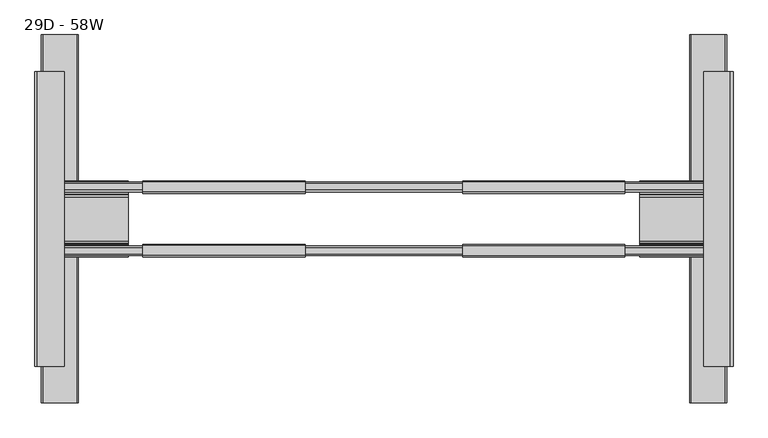
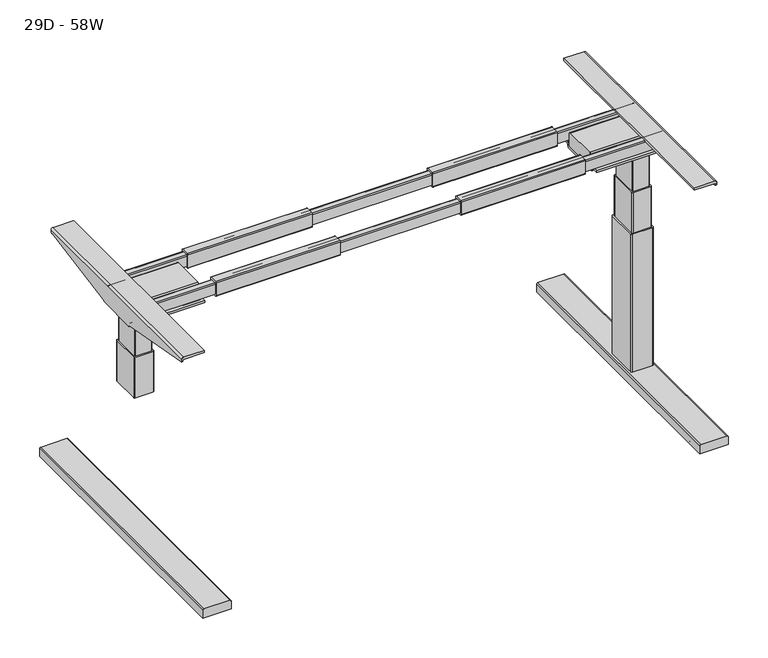
"""IFC4 building model written with IfcOpenShell, lengths in millimetres: furniture geometry, 29D - 58W."""

from ifc_helpers import new_model, si_unit, point, frame, frame_2d, origin, place, context, project, spatial, polyline, circle_curve, ellipse_curve, trimmed, segment, composite_curve, outline, extrude, source, transform, mapped, element, save
from ifc_brep_helpers import plane_surface, cylinder_surface, revolved_surface, advanced_brep


def furniture_29d_58w_eb73083c(model_context):
    return source(origin(), model_context, "Body", "SolidModel", [
        advanced_brep(
        [(535.2852115, -150.3334851, 643.2459466), (538.0820226, -150.3334851, 643.2459466), (538.0820226, -385.7888843, 685.4317958), (535.2852115, -385.7888843, 685.4317958), (535.2852115, -146.691027, 639.6034885), (538.0820226, -146.691027, 639.6034885), (538.0820226, -389.9070922, 689.5500037), (535.2852115, -389.9070922, 689.5500037), (535.2852115, 210.2484, 689.5500037), (538.0820226, 210.2484, 689.5500037), (538.0820226, 206.1301921, 685.4317958), (535.2852115, 206.1301921, 685.4317958), (535.2852115, -29.325207, 643.2459466), (538.0820226, -29.325207, 643.2459466), (538.0820226, -32.9676652, 639.6034885), (535.2852115, -32.9676652, 639.6034885), (535.2852115, 210.5027662, 689.5500037), (538.0820226, 210.5027662, 689.5500037), (538.0820226, -389.9070922, 693.5115755), (532.6935981, -389.9070922, 698.9), (478.2709178, -389.9070922, 698.9), (478.2709178, -389.9070922, 692.8136941), (532.6935981, -389.9070922, 692.8136941), (535.2852115, -389.9070922, 690.2220806), (535.2852115, 210.5027662, 690.2220806), (532.6935981, 210.5027662, 692.8136941), (478.2709178, 210.5027662, 692.8136941), (478.2709178, 210.5027662, 698.9), (532.6935981, 210.5027662, 698.9), (538.0820226, 210.5027662, 693.5115755)],
        [
            (0, 1),
            (1, 2),
            (2, 3),
            (3, 0),
            (0, 4),
            (4, 5),
            (5, 1),
            (2, 6, circle_curve(frame((538.0820226, -385.7888843, 689.5500037), z_axis=(-1.0, 0.0, 0.0), x_axis=(0.0, -1.0, 0.0)), 4.1182079)),
            (6, 7),
            (7, 3, circle_curve(frame((535.2852115, -385.7888843, 689.5500037), z_axis=(1.0, 0.0, 0.0), x_axis=(0.0, -1.0, 0.0)), 4.1182079)),
            (8, 9),
            (9, 10, circle_curve(frame((538.0820226, 206.1301921, 689.5500037), z_axis=(-1.0, 0.0, 0.0), x_axis=(0.0, -1.0, 0.0)), 4.1182079)),
            (10, 11),
            (11, 8, circle_curve(frame((535.2852115, 206.1301921, 689.5500037), z_axis=(1.0, 0.0, 0.0), x_axis=(0.0, -1.0, 0.0)), 4.1182079)),
            (12, 13),
            (13, 14),
            (14, 15),
            (15, 12),
            (12, 11),
            (10, 13),
            (8, 16),
            (16, 17),
            (17, 9),
            (18, 19, circle_curve(frame((532.6935981, -389.9070922, 693.5115755), z_axis=(0.0, -1.0, 0.0), x_axis=(-1.0, 0.0, 0.0)), 5.3884245)),
            (19, 20),
            (20, 21),
            (21, 22),
            (22, 23, circle_curve(frame((532.6935981, -389.9070922, 690.2220806), z_axis=(0.0, 1.0, 0.0), x_axis=(-1.0, 0.0, 0.0)), 2.5916134)),
            (23, 7),
            (6, 18),
            (24, 25, circle_curve(frame((532.6935981, 210.5027662, 690.2220806), z_axis=(0.0, -1.0, 0.0), x_axis=(-1.0, 0.0, 0.0)), 2.5916134)),
            (25, 26),
            (26, 27),
            (27, 28),
            (28, 29, circle_curve(frame((532.6935981, 210.5027662, 693.5115755), z_axis=(0.0, 1.0, 0.0), x_axis=(-1.0, 0.0, 0.0)), 5.3884245)),
            (29, 17),
            (16, 24),
            (4, 15),
            (14, 5),
            (29, 18),
            (28, 19),
            (27, 20),
            (26, 21),
            (25, 22),
            (24, 23),
        ],
        [
            plane_surface(frame((907.5476074, -150.3334851, 643.2459466), z_axis=(0.0, -0.17635877687438872, -0.9843259530355631), x_axis=(-1.0, 0.0, 0.0))),
            plane_surface(frame((907.5476074, -144.9875385, 637.9), z_axis=(0.0, -0.7071067811840085, -0.7071067811890865), x_axis=(-1.0, 0.0, 0.0))),
            cylinder_surface(frame((524.8481849, -385.7888843, 689.5500037), z_axis=(-1.0, 0.0, 0.0), x_axis=(0.0, -1.0, 0.0)), 4.1182079),
            cylinder_surface(frame((381.0453952, 206.1301921, 689.5500037), z_axis=(-1.0, 0.0, 0.0), x_axis=(0.0, -1.0, 0.0)), 4.1182079),
            plane_surface(frame((907.5476074, -29.325207, 643.2459466), z_axis=(0.0, 0.7071067811846106, -0.7071067811884845), x_axis=(-1.0, 0.0, 0.0))),
            plane_surface(frame((907.5476074, 206.1301921, 685.4317958), z_axis=(0.0, 0.1763587768743689, -0.9843259530355667), x_axis=(-1.0, 0.0, 0.0))),
            plane_surface(frame((907.5476074, 226.0429078, 689.5500037), z_axis=(0.0, 0.0, -1.0), x_axis=(-1.0, 0.0, 0.0))),
            plane_surface(frame((535.2852115, -389.9070922, 639.6034885), z_axis=(0.0, -1.0, 0.0), x_axis=(1.0, 0.0, 0.0))),
            plane_surface(frame((535.2852115, 210.5027662, 639.6034885), z_axis=(0.0, 1.0, 0.0), x_axis=(-1.0, 0.0, 0.0))),
            plane_surface(frame((535.2852115, -389.9070922, 639.6034885), z_axis=(0.0, 0.0, -1.0), x_axis=(0.0, 1.0, 0.0))),
            plane_surface(frame((538.0820226, -389.9070922, 639.6034885), z_axis=(1.0, 0.0, 0.0), x_axis=(0.0, 1.0, 0.0))),
            cylinder_surface(frame((532.6935981, 210.5027662, 693.5115755), z_axis=(0.0, -1.0, 0.0), x_axis=(-1.0, 0.0, 0.0)), 5.3884245),
            plane_surface(frame((532.6935981, -389.9070922, 698.9), z_axis=(0.0, 0.0, 1.0), x_axis=(0.0, 1.0, 0.0))),
            plane_surface(frame((478.2709178, -389.9070922, 698.9), z_axis=(-1.0, 0.0, 0.0), x_axis=(0.0, 1.0, 0.0))),
            plane_surface(frame((478.2709178, -389.9070922, 692.8136941), z_axis=(0.0, 0.0, -1.0), x_axis=(0.0, 1.0, 0.0))),
            revolved_surface(polyline([(530.1019847, 210.5027662, 690.2220806), (530.1019847, -389.9070922000001, 690.2220806)]), (532.6935981, 210.5027662, 690.2220806), (0.0, 1.0, 0.0)),
            plane_surface(frame((535.2852115, -389.9070922, 690.2220806), z_axis=(-1.0, 0.0, 0.0), x_axis=(0.0, 1.0, 0.0))),
        ],
        [
            (0, [[1, 2, 3, 4]]),
            (1, [[-1, 5, 6, 7]]),
            (2, [[-3, 8, 9, 10]]),
            (3, [[11, 12, 13, 14]]),
            (4, [[15, 16, 17, 18]]),
            (5, [[-15, 19, -13, 20]]),
            (6, [[-11, 21, 22, 23]]),
            (7, [[24, 25, 26, 27, 28, 29, -9, 30]]),
            (8, [[31, 32, 33, 34, 35, 36, -22, 37]]),
            (9, [[38, -17, 39, -6]]),
            (10, [[40, -30, -8, -2, -7, -39, -16, -20, -12, -23, -36]]),
            (11, [[-24, -40, -35, 41]]),
            (12, [[-25, -41, -34, 42]]),
            (13, [[-26, -42, -33, 43]]),
            (14, [[-27, -43, -32, 44]]),
            (15, [[-28, -44, -31, 45]]),
            (16, [[-45, -37, -21, -14, -19, -18, -38, -5, -4, -10, -29]]),
        ],
    ),
        extrude(outline(composite_curve([segment(trimmed(circle_curve(frame_2d((-14.7471088, 660.9247064)), 2.54), [point((-12.2071088, 660.9247064))], [point((-14.7471088, 658.3847064))], False, "CARTESIAN"), True, "CONTINUOUS"), segment(polyline([(-14.7471088, 658.3847064), (-35.1360084, 658.3847064)]), True, "CONTINUOUS"), segment(trimmed(circle_curve(frame_2d((-35.1360084, 660.8558068)), 2.4711004), [point((-35.1360084, 658.3847064))], [point((-37.6071088, 660.8558068))], False, "CARTESIAN"), True, "CONTINUOUS"), segment(polyline([(-37.6071088, 660.8558068), (-37.6071088, 696.397389)]), True, "CONTINUOUS"), segment(trimmed(circle_curve(frame_2d((-35.1044978, 696.397389)), 2.502611), [point((-37.6071088, 696.397389))], [point((-35.1044978, 698.9))], False, "CARTESIAN"), True, "CONTINUOUS"), segment(polyline([(-35.1044978, 698.9), (-14.5661523, 698.9)]), True, "CONTINUOUS"), segment(trimmed(circle_curve(frame_2d((-14.5661523, 696.5409564)), 2.3590436), [point((-14.5661523, 698.9))], [point((-12.2071088, 696.5409564))], False, "CARTESIAN"), True, "CONTINUOUS"), segment(polyline([(-12.2071088, 696.5409564), (-12.2071088, 660.9247064)]), True, "CONTINUOUS")], self_intersect=False)), frame((-12.2002029, 0.0, 0.0), z_axis=(1.0, 0.0, 0.0), x_axis=(0.0, 1.0, 0.0)), (0.0, 0.0, 1.0), 330.2),
        extrude(outline(composite_curve([segment(polyline([(-167.0928912, 660.9247064), (-167.0928912, 696.5409564)]), True, "CONTINUOUS"), segment(trimmed(circle_curve(frame_2d((-164.7338476, 696.5409564)), 2.3590436), [point((-167.0928912, 696.5409564))], [point((-164.7338476, 698.9))], False, "CARTESIAN"), True, "CONTINUOUS"), segment(polyline([(-164.7338476, 698.9), (-144.1955021, 698.9)]), True, "CONTINUOUS"), segment(trimmed(circle_curve(frame_2d((-144.1955021, 696.397389)), 2.502611), [point((-144.1955021, 698.9))], [point((-141.6928912, 696.397389))], False, "CARTESIAN"), True, "CONTINUOUS"), segment(polyline([(-141.6928912, 696.397389), (-141.6928912, 660.8558068)]), True, "CONTINUOUS"), segment(trimmed(circle_curve(frame_2d((-144.1639916, 660.8558068)), 2.4711004), [point((-141.6928912, 660.8558068))], [point((-144.1639916, 658.3847064))], False, "CARTESIAN"), True, "CONTINUOUS"), segment(polyline([(-144.1639916, 658.3847064), (-164.5528912, 658.3847064)]), True, "CONTINUOUS"), segment(trimmed(circle_curve(frame_2d((-164.5528912, 660.9247064)), 2.54), [point((-164.5528912, 658.3847064))], [point((-167.0928912, 660.9247064))], False, "CARTESIAN"), True, "CONTINUOUS")], self_intersect=False)), frame((-12.2002029, 0.0, 0.0), z_axis=(1.0, 0.0, 0.0), x_axis=(0.0, 1.0, 0.0)), (0.0, 0.0, 1.0), 330.2),
        extrude(outline(composite_curve([segment(polyline([(-33.2519551, 653.2696117), (-34.3060318, 647.522656)]), True, "CONTINUOUS"), segment(trimmed(circle_curve(frame_2d((-39.4101754, 648.4588315)), 5.1892877), [point((-34.3060318, 647.522656))], [point((-39.4101754, 643.2695438))], False, "CARTESIAN"), True, "CONTINUOUS"), segment(polyline([(-39.4101754, 643.2695438), (-140.2485168, 643.2695438)]), True, "CONTINUOUS"), segment(trimmed(circle_curve(frame_2d((-140.2485168, 648.4588315)), 5.1892877), [point((-140.2485168, 643.2695438))], [point((-145.3526604, 647.522656))], False, "CARTESIAN"), True, "CONTINUOUS"), segment(polyline([(-145.3526604, 647.522656), (-146.4067371, 653.2696117), (-167.4065503, 653.2696117), (-167.4065503, 658.3847064), (-146.9084633, 658.3847064)]), True, "CONTINUOUS"), segment(trimmed(circle_curve(frame_2d((-146.9084633, 652.8079909)), 5.5767155), [point((-146.9084633, 658.3847064))], [point((-141.4231172, 653.8133434))], False, "CARTESIAN"), True, "CONTINUOUS"), segment(polyline([(-141.4231172, 653.8133434), (-140.4070664, 648.2696262), (-39.8084764, 648.2696262), (-38.7924256, 653.8133434)]), True, "CONTINUOUS"), segment(trimmed(circle_curve(frame_2d((-33.3070795, 652.8079909)), 5.5767155), [point((-38.7924256, 653.8133434))], [point((-33.3070795, 658.3847064))], False, "CARTESIAN"), True, "CONTINUOUS"), segment(polyline([(-33.3070795, 658.3847064), (-12.4076779, 658.3847064), (-12.4076779, 653.2696117), (-33.2519551, 653.2696117)]), True, "CONTINUOUS")], self_intersect=False)), frame((348.0631648, 0.0, 0.0), z_axis=(1.0, 0.0, 0.0), x_axis=(0.0, 1.0, 0.0)), (0.0, 0.0, 1.0), 184.6304333),
        extrude(outline(composite_curve([segment(polyline([(7.9650038, 449.7737802), (7.9650038, 524.8481849), (30.0204767, 524.8481849)]), True, "CONTINUOUS"), segment(trimmed(circle_curve(frame_2d((30.0204767, 521.8675777)), 2.9806072), [point((30.0204767, 524.8481849))], [point((33.0010839, 521.8675777))], False, "CARTESIAN"), True, "CONTINUOUS"), segment(polyline([(33.0010839, 521.8675777), (33.0010839, 452.9442027)]), True, "CONTINUOUS"), segment(trimmed(circle_curve(frame_2d((29.8306613, 452.9442027)), 3.1704226), [point((33.0010839, 452.9442027))], [point((29.8306613, 449.7737802))], False, "CARTESIAN"), True, "CONTINUOUS"), segment(polyline([(29.8306613, 449.7737802), (7.9650038, 449.7737802)]), True, "CONTINUOUS")], self_intersect=False)), frame((0.0, -464.3, 0.0), z_axis=(0.0, 1.0, 0.0), x_axis=(0.0, 0.0, 1.0)), (0.0, 0.0, 1.0), 749.3),
        extrude(outline(composite_curve([segment(polyline([(-41.2469317, 686.5927128), (-39.9079858, 648.2696262), (-139.9065816, 648.2696262), (-138.5676823, 686.5927082)]), True, "CONTINUOUS"), segment(trimmed(circle_curve(frame_2d((-134.7600055, 686.4596788)), 3.81), [point((-138.5676823, 686.5927082))], [point((-134.7600055, 690.2696788))], False, "CARTESIAN"), True, "CONTINUOUS"), segment(polyline([(-134.7600055, 690.2696788), (-45.0546084, 690.2696788)]), True, "CONTINUOUS"), segment(trimmed(circle_curve(frame_2d((-45.0546084, 686.4596788)), 3.81), [point((-45.0546084, 690.2696788))], [point((-41.2469317, 686.5927128))], False, "CARTESIAN"), True, "CONTINUOUS")], self_intersect=False)), frame((348.0631648, 0.0, 0.0), z_axis=(1.0, 0.0, 0.0), x_axis=(0.0, 1.0, 0.0)), (0.0, 0.0, 1.0), 184.6304333),
        advanced_brep(
        [(538.0820226, -389.9070922, 693.5115755), (532.6935981, -389.9070922, 698.9), (478.2709178, -389.9070922, 698.9), (478.2709178, -389.9070922, 692.8136941), (532.6935981, -389.9070922, 692.8136941), (535.2852115, -389.9070922, 690.2220806), (535.2852115, -389.9070922, 689.5500037), (538.0820226, -389.9070922, 689.5500037), (535.2852115, 210.5027662, 690.2220806), (532.6935981, 210.5027662, 692.8136941), (478.2709178, 210.5027662, 692.8136941), (478.2709178, 210.5027662, 698.9), (532.6935981, 210.5027662, 698.9), (538.0820226, 210.5027662, 693.5115755), (538.0820226, 210.5027662, 689.5500037), (535.2852115, 210.5027662, 689.5500037), (535.2852115, -150.3334851, 643.2459466), (538.0820226, -150.3334851, 643.2459466), (538.0820226, -385.7888843, 685.4317958), (535.2852115, -385.7888843, 685.4317958), (535.2852115, -146.691027, 639.6034885), (538.0820226, -146.691027, 639.6034885), (535.2852115, 210.2484, 689.5500037), (538.0820226, 210.2484, 689.5500037), (538.0820226, 206.1301921, 685.4317958), (535.2852115, 206.1301921, 685.4317958), (535.2852115, -29.325207, 643.2459466), (538.0820226, -29.325207, 643.2459466), (538.0820226, -32.9676652, 639.6034885), (535.2852115, -32.9676652, 639.6034885)],
        [
            (0, 1, circle_curve(frame((532.6935981, -389.9070922, 693.5115755), z_axis=(0.0, -1.0, 0.0), x_axis=(-1.0, 0.0, 0.0)), 5.3884245)),
            (1, 2),
            (2, 3),
            (3, 4),
            (4, 5, circle_curve(frame((532.6935981, -389.9070922, 690.2220806), z_axis=(0.0, 1.0, 0.0), x_axis=(-1.0, 0.0, 0.0)), 2.5916134)),
            (5, 6),
            (6, 7),
            (7, 0),
            (8, 9, circle_curve(frame((532.6935981, 210.5027662, 690.2220806), z_axis=(0.0, -1.0, 0.0), x_axis=(-1.0, 0.0, 0.0)), 2.5916134)),
            (9, 10),
            (10, 11),
            (11, 12),
            (12, 13, circle_curve(frame((532.6935981, 210.5027662, 693.5115755), z_axis=(0.0, 1.0, 0.0), x_axis=(-1.0, 0.0, 0.0)), 5.3884245)),
            (13, 14),
            (14, 15),
            (15, 8),
            (16, 17),
            (17, 18),
            (18, 19),
            (19, 16),
            (16, 20),
            (20, 21),
            (21, 17),
            (18, 7, circle_curve(frame((538.0820226, -385.7888843, 689.5500037), z_axis=(-1.0, 0.0, 0.0), x_axis=(0.0, -1.0, 0.0)), 4.1182079)),
            (6, 19, circle_curve(frame((535.2852115, -385.7888843, 689.5500037), z_axis=(1.0, 0.0, 0.0), x_axis=(0.0, -1.0, 0.0)), 4.1182079)),
            (22, 23),
            (23, 24, circle_curve(frame((538.0820226, 206.1301921, 689.5500037), z_axis=(-1.0, 0.0, 0.0), x_axis=(0.0, -1.0, 0.0)), 4.1182079)),
            (24, 25),
            (25, 22, circle_curve(frame((535.2852115, 206.1301921, 689.5500037), z_axis=(1.0, 0.0, 0.0), x_axis=(0.0, -1.0, 0.0)), 4.1182079)),
            (26, 27),
            (27, 28),
            (28, 29),
            (29, 26),
            (26, 25),
            (24, 27),
            (22, 15),
            (14, 23),
            (20, 29),
            (28, 21),
            (13, 0),
            (12, 1),
            (11, 2),
            (10, 3),
            (9, 4),
            (8, 5),
        ],
        [
            plane_surface(frame((535.2852115, -389.9070922, 639.6034885), z_axis=(0.0, -1.0, 0.0), x_axis=(1.0, 0.0, 0.0))),
            plane_surface(frame((535.2852115, 210.5027662, 639.6034885), z_axis=(0.0, 1.0, 0.0), x_axis=(-1.0, 0.0, 0.0))),
            plane_surface(frame((907.5476074, -150.3334851, 643.2459466), z_axis=(0.0, -0.17635877687438872, -0.9843259530355631), x_axis=(-1.0, 0.0, 0.0))),
            plane_surface(frame((907.5476074, -144.9875385, 637.9), z_axis=(0.0, -0.7071067811840085, -0.7071067811890865), x_axis=(-1.0, 0.0, 0.0))),
            cylinder_surface(frame((524.8481849, -385.7888843, 689.5500037), z_axis=(-1.0, 0.0, 0.0), x_axis=(0.0, -1.0, 0.0)), 4.1182079),
            cylinder_surface(frame((381.0453952, 206.1301921, 689.5500037), z_axis=(-1.0, 0.0, 0.0), x_axis=(0.0, -1.0, 0.0)), 4.1182079),
            plane_surface(frame((907.5476074, -29.325207, 643.2459466), z_axis=(0.0, 0.7071067811846106, -0.7071067811884845), x_axis=(-1.0, 0.0, 0.0))),
            plane_surface(frame((907.5476074, 206.1301921, 685.4317958), z_axis=(0.0, 0.1763587768743689, -0.9843259530355667), x_axis=(-1.0, 0.0, 0.0))),
            plane_surface(frame((907.5476074, 226.0429078, 689.5500037), z_axis=(0.0, 0.0, -1.0), x_axis=(-1.0, 0.0, 0.0))),
            plane_surface(frame((535.2852115, -389.9070922, 639.6034885), z_axis=(0.0, 0.0, -1.0), x_axis=(0.0, 1.0, 0.0))),
            plane_surface(frame((538.0820226, -389.9070922, 639.6034885), z_axis=(1.0, 0.0, 0.0), x_axis=(0.0, 1.0, 0.0))),
            cylinder_surface(frame((532.6935981, 210.5027662, 693.5115755), z_axis=(0.0, -1.0, 0.0), x_axis=(-1.0, 0.0, 0.0)), 5.3884245),
            plane_surface(frame((532.6935981, -389.9070922, 698.9), z_axis=(0.0, 0.0, 1.0), x_axis=(0.0, 1.0, 0.0))),
            plane_surface(frame((478.2709178, -389.9070922, 698.9), z_axis=(-1.0, 0.0, 0.0), x_axis=(0.0, 1.0, 0.0))),
            plane_surface(frame((478.2709178, -389.9070922, 692.8136941), z_axis=(0.0, 0.0, -1.0), x_axis=(0.0, 1.0, 0.0))),
            revolved_surface(polyline([(530.1019847, 210.5027662, 690.2220806), (530.1019847, -389.9070922000001, 690.2220806)]), (532.6935981, 210.5027662, 690.2220806), (0.0, 1.0, 0.0)),
            plane_surface(frame((535.2852115, -389.9070922, 690.2220806), z_axis=(-1.0, 0.0, 0.0), x_axis=(0.0, 1.0, 0.0))),
        ],
        [
            (0, [[1, 2, 3, 4, 5, 6, 7, 8]]),
            (1, [[9, 10, 11, 12, 13, 14, 15, 16]]),
            (2, [[17, 18, 19, 20]]),
            (3, [[-17, 21, 22, 23]]),
            (4, [[-19, 24, -7, 25]]),
            (5, [[26, 27, 28, 29]]),
            (6, [[30, 31, 32, 33]]),
            (7, [[-30, 34, -28, 35]]),
            (8, [[-26, 36, -15, 37]]),
            (9, [[38, -32, 39, -22]]),
            (10, [[40, -8, -24, -18, -23, -39, -31, -35, -27, -37, -14]]),
            (11, [[-1, -40, -13, 41]]),
            (12, [[-2, -41, -12, 42]]),
            (13, [[-3, -42, -11, 43]]),
            (14, [[-4, -43, -10, 44]]),
            (15, [[-5, -44, -9, 45]]),
            (16, [[-45, -16, -36, -29, -34, -33, -38, -21, -20, -25, -6]]),
        ],
    ),
        extrude(outline(composite_curve([segment(polyline([(7.9650038, -794.214186), (29.8306613, -794.214186)]), True, "CONTINUOUS"), segment(trimmed(circle_curve(frame_2d((29.8306613, -797.3846086)), 3.1704226), [point((29.8306613, -794.214186))], [point((33.0010839, -797.3846086))], False, "CARTESIAN"), True, "CONTINUOUS"), segment(polyline([(33.0010839, -797.3846086), (33.0010839, -866.3079836)]), True, "CONTINUOUS"), segment(trimmed(circle_curve(frame_2d((30.0204767, -866.3079836)), 2.9806072), [point((33.0010839, -866.3079836))], [point((30.0204767, -869.2885908))], False, "CARTESIAN"), True, "CONTINUOUS"), segment(polyline([(30.0204767, -869.2885908), (7.9650038, -869.2885908), (7.9650038, -794.214186)]), True, "CONTINUOUS")], self_intersect=False)), frame((0.0, -464.3, 0.0), z_axis=(0.0, 1.0, 0.0), x_axis=(0.0, 0.0, 1.0)), (0.0, 0.0, 1.0), 749.3),
        advanced_brep(
        [(-879.8331206, -389.9070922, 690.0697948), (-877.0892213, -389.9070922, 692.8136941), (-822.4519689, -389.9070922, 692.8136941), (-822.4519689, -389.9070922, 698.9), (-876.8745206, -389.9070922, 698.9), (-882.1321032, -389.9070922, 693.6424174), (-882.1321032, -389.9070922, 689.5500037), (-879.8331206, -389.9070922, 689.5500037), (-882.1321032, 210.5027662, 693.6424174), (-876.8745206, 210.5027662, 698.9), (-822.4519689, 210.5027662, 698.9), (-822.4519689, 210.5027662, 692.8136941), (-877.0892213, 210.5027662, 692.8136941), (-879.8331206, 210.5027662, 690.0697948), (-879.8331206, 210.5027662, 689.5500037), (-882.1321032, 210.5027662, 689.5500037), (-879.8331206, -385.7888843, 685.4317958), (-879.8331206, -150.3334851, 643.2459466), (-879.8331206, -146.691027, 639.6034885), (-879.8331206, -32.9676652, 639.6034885), (-879.8331206, -29.325207, 643.2459466), (-879.8331206, 206.1301921, 685.4317958), (-879.8331206, 210.2484, 689.5500037), (-882.1321032, 210.2484, 689.5500037), (-882.1321032, 206.1301921, 685.4317958), (-882.1321032, -29.325207, 643.2459466), (-882.1321032, -32.9676652, 639.6034885), (-882.1321032, -146.691027, 639.6034885), (-882.1321032, -150.3334851, 643.2459466), (-882.1321032, -385.7888843, 685.4317958)],
        [
            (0, 1, circle_curve(frame((-877.0892213, -389.9070922, 690.0697948), z_axis=(0.0, 1.0, 0.0), x_axis=(1.0, 0.0, 0.0)), 2.7438992)),
            (1, 2),
            (2, 3),
            (3, 4),
            (4, 5, circle_curve(frame((-876.8745206, -389.9070922, 693.6424174), z_axis=(0.0, -1.0, 0.0), x_axis=(1.0, 0.0, 0.0)), 5.2575826)),
            (5, 6),
            (6, 7),
            (7, 0),
            (8, 9, circle_curve(frame((-876.8745206, 210.5027662, 693.6424174), z_axis=(0.0, 1.0, 0.0), x_axis=(1.0, 0.0, 0.0)), 5.2575826)),
            (9, 10),
            (10, 11),
            (11, 12),
            (12, 13, circle_curve(frame((-877.0892213, 210.5027662, 690.0697948), z_axis=(0.0, -1.0, 0.0), x_axis=(1.0, 0.0, 0.0)), 2.7438992)),
            (13, 14),
            (14, 15),
            (15, 8),
            (13, 0),
            (7, 16, circle_curve(frame((-879.8331206, -385.7888843, 689.5500037), z_axis=(1.0, 0.0, 0.0), x_axis=(0.0, -1.0, 0.0)), 4.1182079)),
            (16, 17),
            (17, 18),
            (18, 19),
            (19, 20),
            (20, 21),
            (21, 22, circle_curve(frame((-879.8331206, 206.1301921, 689.5500037), z_axis=(1.0, 0.0, 0.0), x_axis=(0.0, -1.0, 0.0)), 4.1182079)),
            (22, 14),
            (12, 1),
            (11, 2),
            (10, 3),
            (9, 4),
            (8, 5),
            (15, 23),
            (23, 24, circle_curve(frame((-882.1321032, 206.1301921, 689.5500037), z_axis=(-1.0, 0.0, 0.0), x_axis=(0.0, -1.0, 0.0)), 4.1182079)),
            (24, 25),
            (25, 26),
            (26, 27),
            (27, 28),
            (28, 29),
            (29, 6, circle_curve(frame((-882.1321032, -385.7888843, 689.5500037), z_axis=(-1.0, 0.0, 0.0), x_axis=(0.0, -1.0, 0.0)), 4.1182079)),
            (18, 27),
            (26, 19),
            (16, 29),
            (28, 17),
            (21, 24),
            (23, 22),
            (25, 20),
        ],
        [
            plane_surface(frame((-879.8331206, -389.9070922, 690.0697948), z_axis=(0.0, -1.0, 0.0), x_axis=(0.0, 0.0, 1.0))),
            plane_surface(frame((-879.8331206, 210.5027662, 690.0697948), z_axis=(0.0, 1.0, 0.0), x_axis=(0.0, 0.0, -1.0))),
            plane_surface(frame((-879.8331206, -389.9070922, 639.6034885), z_axis=(1.0, 0.0, 0.0), x_axis=(0.0, 1.0, 0.0))),
            revolved_surface(polyline([(-874.3453221, 210.5027662, 690.0697948), (-874.3453221, -389.9070922000001, 690.0697948)]), (-877.0892213, 210.5027662, 690.0697948), (0.0, 1.0, 0.0)),
            plane_surface(frame((-877.0892213, -389.9070922, 692.8136941), z_axis=(0.0, 0.0, -1.0), x_axis=(0.0, 1.0, 0.0))),
            plane_surface(frame((-822.4519689, -389.9070922, 692.8136941), z_axis=(1.0, 0.0, 0.0), x_axis=(0.0, 1.0, 0.0))),
            plane_surface(frame((-822.4519689, -389.9070922, 698.9), z_axis=(0.0, 0.0, 1.0), x_axis=(0.0, 1.0, 0.0))),
            cylinder_surface(frame((-876.8745206, 210.5027662, 693.6424174), z_axis=(0.0, -1.0, 0.0), x_axis=(1.0, 0.0, 0.0)), 5.2575826),
            plane_surface(frame((-882.1321032, -389.9070922, 693.6424174), z_axis=(-1.0, 0.0, 0.0), x_axis=(0.0, 1.0, 0.0))),
            plane_surface(frame((-882.1321032, -389.9070922, 639.6034885), z_axis=(0.0, 0.0, -1.0), x_axis=(0.0, 1.0, 0.0))),
            plane_surface(frame((-968.255801, -385.7888843, 685.4317958), z_axis=(0.0, -0.1763587768743868, -0.9843259530355635), x_axis=(1.0, 0.0, 0.0))),
            plane_surface(frame((-968.255801, -150.3334851, 643.2459466), z_axis=(0.0, -0.7071067811842962, -0.7071067811887989), x_axis=(1.0, 0.0, 0.0))),
            cylinder_surface(frame((-794.214186, -385.7888843, 689.5500037), z_axis=(1.0, 0.0, 0.0), x_axis=(0.0, -1.0, 0.0)), 4.1182079),
            cylinder_surface(frame((-877.134004, 206.1301921, 689.5500037), z_axis=(1.0, 0.0, 0.0), x_axis=(0.0, -1.0, 0.0)), 4.1182079),
            plane_surface(frame((-968.255801, -34.6711537, 637.9), z_axis=(0.0, 0.7071067811848903, -0.7071067811882048), x_axis=(1.0, 0.0, 0.0))),
            plane_surface(frame((-968.255801, -29.325207, 643.2459466), z_axis=(0.0, 0.17635877687436424, -0.9843259530355676), x_axis=(1.0, 0.0, 0.0))),
            plane_surface(frame((-968.255801, 210.2484, 689.5500037), z_axis=(0.0, 0.0, -1.0), x_axis=(1.0, 0.0, 0.0))),
        ],
        [
            (0, [[1, 2, 3, 4, 5, 6, 7, 8]]),
            (1, [[9, 10, 11, 12, 13, 14, 15, 16]]),
            (2, [[17, -8, 18, 19, 20, 21, 22, 23, 24, 25, -14]]),
            (3, [[-1, -17, -13, 26]]),
            (4, [[-2, -26, -12, 27]]),
            (5, [[-3, -27, -11, 28]]),
            (6, [[-4, -28, -10, 29]]),
            (7, [[-5, -29, -9, 30]]),
            (8, [[-30, -16, 31, 32, 33, 34, 35, 36, 37, 38, -6]]),
            (9, [[-21, 39, -35, 40]]),
            (10, [[41, -37, 42, -19]]),
            (11, [[-42, -36, -39, -20]]),
            (12, [[-41, -18, -7, -38]]),
            (13, [[43, -32, 44, -24]]),
            (14, [[45, -22, -40, -34]]),
            (15, [[-43, -23, -45, -33]]),
            (16, [[-44, -31, -15, -25]]),
        ],
    ),
        extrude(outline(composite_curve([segment(polyline([(-41.2469317, 686.5927128), (-39.9079858, 648.2696262), (-139.9065816, 648.2696262), (-138.5676823, 686.5927082)]), True, "CONTINUOUS"), segment(trimmed(circle_curve(frame_2d((-134.7600055, 686.4596788)), 3.81), [point((-138.5676823, 686.5927082))], [point((-134.7600055, 690.2696788))], False, "CARTESIAN"), True, "CONTINUOUS"), segment(polyline([(-134.7600055, 690.2696788), (-45.0546084, 690.2696788)]), True, "CONTINUOUS"), segment(trimmed(circle_curve(frame_2d((-45.0546084, 686.4596788)), 3.81), [point((-45.0546084, 690.2696788))], [point((-41.2469317, 686.5927128))], False, "CARTESIAN"), True, "CONTINUOUS")], self_intersect=False)), frame((-877.134004, 0.0, 0.0), z_axis=(1.0, 0.0, 0.0), x_axis=(0.0, 1.0, 0.0)), (0.0, 0.0, 1.0), 184.6304333),
        extrude(outline(composite_curve([segment(trimmed(circle_curve(frame_2d((-14.7471088, 660.9247064)), 2.54), [point((-12.2071088, 660.9247064))], [point((-14.7471088, 658.3847064))], False, "CARTESIAN"), True, "CONTINUOUS"), segment(polyline([(-14.7471088, 658.3847064), (-35.1360084, 658.3847064)]), True, "CONTINUOUS"), segment(trimmed(circle_curve(frame_2d((-35.1360084, 660.8558068)), 2.4711004), [point((-35.1360084, 658.3847064))], [point((-37.6071088, 660.8558068))], False, "CARTESIAN"), True, "CONTINUOUS"), segment(polyline([(-37.6071088, 660.8558068), (-37.6071088, 696.397389)]), True, "CONTINUOUS"), segment(trimmed(circle_curve(frame_2d((-35.1044978, 696.397389)), 2.502611), [point((-37.6071088, 696.397389))], [point((-35.1044978, 698.9))], False, "CARTESIAN"), True, "CONTINUOUS"), segment(polyline([(-35.1044978, 698.9), (-14.5661523, 698.9)]), True, "CONTINUOUS"), segment(trimmed(circle_curve(frame_2d((-14.5661523, 696.5409564)), 2.3590436), [point((-14.5661523, 698.9))], [point((-12.2071088, 696.5409564))], False, "CARTESIAN"), True, "CONTINUOUS"), segment(polyline([(-12.2071088, 696.5409564), (-12.2071088, 660.9247064)]), True, "CONTINUOUS")], self_intersect=False)), frame((-662.4402029, 0.0, 0.0), z_axis=(1.0, 0.0, 0.0), x_axis=(0.0, 1.0, 0.0)), (0.0, 0.0, 1.0), 330.2),
        extrude(outline(composite_curve([segment(polyline([(-167.0928912, 660.9247064), (-167.0928912, 696.5409564)]), True, "CONTINUOUS"), segment(trimmed(circle_curve(frame_2d((-164.7338476, 696.5409564)), 2.3590436), [point((-167.0928912, 696.5409564))], [point((-164.7338476, 698.9))], False, "CARTESIAN"), True, "CONTINUOUS"), segment(polyline([(-164.7338476, 698.9), (-144.1955021, 698.9)]), True, "CONTINUOUS"), segment(trimmed(circle_curve(frame_2d((-144.1955021, 696.397389)), 2.502611), [point((-144.1955021, 698.9))], [point((-141.6928912, 696.397389))], False, "CARTESIAN"), True, "CONTINUOUS"), segment(polyline([(-141.6928912, 696.397389), (-141.6928912, 660.8558068)]), True, "CONTINUOUS"), segment(trimmed(circle_curve(frame_2d((-144.1639916, 660.8558068)), 2.4711004), [point((-141.6928912, 660.8558068))], [point((-144.1639916, 658.3847064))], False, "CARTESIAN"), True, "CONTINUOUS"), segment(polyline([(-144.1639916, 658.3847064), (-164.5528912, 658.3847064)]), True, "CONTINUOUS"), segment(trimmed(circle_curve(frame_2d((-164.5528912, 660.9247064)), 2.54), [point((-164.5528912, 658.3847064))], [point((-167.0928912, 660.9247064))], False, "CARTESIAN"), True, "CONTINUOUS")], self_intersect=False)), frame((-662.4402029, 0.0, 0.0), z_axis=(1.0, 0.0, 0.0), x_axis=(0.0, 1.0, 0.0)), (0.0, 0.0, 1.0), 330.2),
        extrude(outline(composite_curve([segment(polyline([(-17.2071995, 663.7695037), (-17.2071995, 691.8113189)]), True, "CONTINUOUS"), segment(trimmed(circle_curve(frame_2d((-17.7653829, 691.8113189)), 0.5581833), [point((-17.2071995, 691.8113189))], [point((-17.7653829, 692.3695022))], True, "CARTESIAN"), True, "CONTINUOUS"), segment(polyline([(-17.7653829, 692.3695022), (-32.0446392, 692.3695022)]), True, "CONTINUOUS"), segment(trimmed(circle_curve(frame_2d((-32.0446392, 691.8073353)), 0.5621669), [point((-32.0446392, 692.3695022))], [point((-32.6068061, 691.8073353))], True, "CARTESIAN"), True, "CONTINUOUS"), segment(polyline([(-32.6068061, 691.8073353), (-32.6068061, 663.7695037), (-34.6069553, 663.7695037), (-34.6069553, 691.1257358)]), True, "CONTINUOUS"), segment(trimmed(circle_curve(frame_2d((-31.3632141, 691.1257358)), 3.2437412), [point((-34.6069553, 691.1257358))], [point((-31.3632141, 694.369477))], False, "CARTESIAN"), True, "CONTINUOUS"), segment(polyline([(-31.3632141, 694.369477), (-18.1757591, 694.369477)]), True, "CONTINUOUS"), segment(trimmed(circle_curve(frame_2d((-18.1757591, 691.4010338)), 2.9684433), [point((-18.1757591, 694.369477))], [point((-15.2073159, 691.4010338))], False, "CARTESIAN"), True, "CONTINUOUS"), segment(polyline([(-15.2073159, 691.4010338), (-15.2073159, 663.7695037), (-17.2071995, 663.7695037)]), True, "CONTINUOUS")], self_intersect=False)), frame((-877.134004, 0.0, 0.0), z_axis=(1.0, 0.0, 0.0), x_axis=(0.0, 1.0, 0.0)), (0.0, 0.0, 1.0), 1409.8276021),
        extrude(outline(composite_curve([segment(polyline([(-162.0928004, 663.7695037), (-164.0926841, 663.7695037), (-164.0926841, 691.4010338)]), True, "CONTINUOUS"), segment(trimmed(circle_curve(frame_2d((-161.1242409, 691.4010338)), 2.9684433), [point((-164.0926841, 691.4010338))], [point((-161.1242409, 694.369477))], False, "CARTESIAN"), True, "CONTINUOUS"), segment(polyline([(-161.1242409, 694.369477), (-147.9367859, 694.369477)]), True, "CONTINUOUS"), segment(trimmed(circle_curve(frame_2d((-147.9367859, 691.1257358)), 3.2437412), [point((-147.9367859, 694.369477))], [point((-144.6930446, 691.1257358))], False, "CARTESIAN"), True, "CONTINUOUS"), segment(polyline([(-144.6930446, 691.1257358), (-144.6930446, 663.7695037), (-146.6931939, 663.7695037), (-146.6931939, 691.8073353)]), True, "CONTINUOUS"), segment(trimmed(circle_curve(frame_2d((-147.2553607, 691.8073353)), 0.5621669), [point((-146.6931939, 691.8073353))], [point((-147.2553607, 692.3695022))], True, "CARTESIAN"), True, "CONTINUOUS"), segment(polyline([(-147.2553607, 692.3695022), (-161.5346171, 692.3695022)]), True, "CONTINUOUS"), segment(trimmed(circle_curve(frame_2d((-161.5346171, 691.8113189)), 0.5581833), [point((-161.5346171, 692.3695022))], [point((-162.0928004, 691.8113189))], True, "CARTESIAN"), True, "CONTINUOUS"), segment(polyline([(-162.0928004, 691.8113189), (-162.0928004, 663.7695037)]), True, "CONTINUOUS")], self_intersect=False)), frame((-877.134004, 0.0, 0.0), z_axis=(1.0, 0.0, 0.0), x_axis=(0.0, 1.0, 0.0)), (0.0, 0.0, 1.0), 1409.8276021),
        extrude(outline(composite_curve([segment(polyline([(-33.2519551, 653.2696117), (-34.3060318, 647.522656)]), True, "CONTINUOUS"), segment(trimmed(circle_curve(frame_2d((-39.4101754, 648.4588315)), 5.1892877), [point((-34.3060318, 647.522656))], [point((-39.4101754, 643.2695438))], False, "CARTESIAN"), True, "CONTINUOUS"), segment(polyline([(-39.4101754, 643.2695438), (-140.2485168, 643.2695438)]), True, "CONTINUOUS"), segment(trimmed(circle_curve(frame_2d((-140.2485168, 648.4588315)), 5.1892877), [point((-140.2485168, 643.2695438))], [point((-145.3526604, 647.522656))], False, "CARTESIAN"), True, "CONTINUOUS"), segment(polyline([(-145.3526604, 647.522656), (-146.4067371, 653.2696117), (-167.4065503, 653.2696117), (-167.4065503, 658.3847064), (-146.9084633, 658.3847064)]), True, "CONTINUOUS"), segment(trimmed(circle_curve(frame_2d((-146.9084633, 652.8079909)), 5.5767155), [point((-146.9084633, 658.3847064))], [point((-141.4231172, 653.8133434))], False, "CARTESIAN"), True, "CONTINUOUS"), segment(polyline([(-141.4231172, 653.8133434), (-140.4070664, 648.2696262), (-39.8084764, 648.2696262), (-38.7924256, 653.8133434)]), True, "CONTINUOUS"), segment(trimmed(circle_curve(frame_2d((-33.3070795, 652.8079909)), 5.5767155), [point((-38.7924256, 653.8133434))], [point((-33.3070795, 658.3847064))], False, "CARTESIAN"), True, "CONTINUOUS"), segment(polyline([(-33.3070795, 658.3847064), (-12.4076779, 658.3847064), (-12.4076779, 653.2696117), (-33.2519551, 653.2696117)]), True, "CONTINUOUS")], self_intersect=False)), frame((-877.134004, 0.0, 0.0), z_axis=(1.0, 0.0, 0.0), x_axis=(0.0, 1.0, 0.0)), (0.0, 0.0, 1.0), 184.6304333),
        extrude(outline(composite_curve([segment(polyline([(511.3221968, -54.2270856), (511.3221968, -125.4900105)]), True, "CONTINUOUS"), segment(trimmed(circle_curve(frame_2d((508.905087, -125.4900105)), 2.4171098), [point((511.3221968, -125.4900105))], [point((508.905087, -127.9071202))], False, "CARTESIAN"), True, "CONTINUOUS"), segment(polyline([(508.905087, -127.9071202), (467.8071326, -127.9071202)]), True, "CONTINUOUS"), segment(trimmed(circle_curve(frame_2d((467.8071326, -125.4221821)), 2.4849381), [point((467.8071326, -127.9071202))], [point((465.3221945, -125.4221821))], False, "CARTESIAN"), True, "CONTINUOUS"), segment(polyline([(465.3221945, -125.4221821), (465.3221945, -54.3162346)]), True, "CONTINUOUS"), segment(trimmed(circle_curve(frame_2d((467.731321, -54.3162346)), 2.4091266), [point((465.3221945, -54.3162346))], [point((467.731321, -51.907108))], False, "CARTESIAN"), True, "CONTINUOUS"), segment(polyline([(467.731321, -51.907108), (509.0022192, -51.907108)]), True, "CONTINUOUS"), segment(trimmed(circle_curve(frame_2d((509.0022192, -54.2270856)), 2.3199776), [point((509.0022192, -51.907108))], [point((511.3221968, -54.2270856))], False, "CARTESIAN"), True, "CONTINUOUS")], self_intersect=False)), frame((0.0, 0.0, 534.3945033), z_axis=(0.0, 0.0, 1.0), x_axis=(1.0, 0.0, 0.0)), (0.0, 0.0, 1.0), 108.5061054),
        extrude(outline(composite_curve([segment(polyline([(514.702453, -50.8117855), (514.702453, -129.0024129)]), True, "CONTINUOUS"), segment(trimmed(circle_curve(frame_2d((512.2977655, -129.0024129)), 2.4046875), [point((514.702453, -129.0024129))], [point((512.2977655, -131.4071004))], False, "CARTESIAN"), True, "CONTINUOUS"), segment(polyline([(512.2977655, -131.4071004), (464.8222143, -131.4071004)]), True, "CONTINUOUS"), segment(trimmed(circle_curve(frame_2d((464.8222143, -128.4071004)), 3.0), [point((464.8222143, -131.4071004))], [point((461.8222143, -128.4071004))], False, "CARTESIAN"), True, "CONTINUOUS"), segment(polyline([(461.8222143, -128.4071004), (461.8222143, -51.4071173)]), True, "CONTINUOUS"), segment(trimmed(circle_curve(frame_2d((464.8222211, -51.4071173)), 3.0000068), [point((461.8222143, -51.4071173))], [point((464.8222181, -48.4071105))], False, "CARTESIAN"), True, "CONTINUOUS"), segment(polyline([(464.8222181, -48.4071105), (512.2977755, -48.4071105)]), True, "CONTINUOUS"), segment(trimmed(circle_curve(frame_2d((512.297778, -50.8117855)), 2.404675), [point((512.2977755, -48.4071105))], [point((514.702453, -50.8117855))], False, "CARTESIAN"), True, "CONTINUOUS")], self_intersect=False)), frame((0.0, 0.0, 420.5554248), z_axis=(0.0, 0.0, 1.0), x_axis=(1.0, 0.0, 0.0)), (0.0, 0.0, 1.0), 113.8390785),
        extrude(outline(composite_curve([segment(polyline([(-855.5031471, -125.5047834), (-855.5031471, -54.3009714)]), True, "CONTINUOUS"), segment(trimmed(circle_curve(frame_2d((-853.1092837, -54.3009714)), 2.3938634), [point((-855.5031471, -54.3009714))], [point((-853.1092837, -51.907108))], False, "CARTESIAN"), True, "CONTINUOUS"), segment(polyline([(-853.1092837, -51.907108), (-811.8868848, -51.907108)]), True, "CONTINUOUS"), segment(trimmed(circle_curve(frame_2d((-811.8868848, -54.2908395)), 2.3837315), [point((-811.8868848, -51.907108))], [point((-809.5031533, -54.2908395))], False, "CARTESIAN"), True, "CONTINUOUS"), segment(polyline([(-809.5031533, -54.2908395), (-809.5031533, -125.55911)]), True, "CONTINUOUS"), segment(trimmed(circle_curve(frame_2d((-811.8511606, -125.55911)), 2.3480073), [point((-809.5031533, -125.55911))], [point((-811.8511606, -127.9071172))], False, "CARTESIAN"), True, "CONTINUOUS"), segment(polyline([(-811.8511606, -127.9071172), (-853.1008132, -127.9071172)]), True, "CONTINUOUS"), segment(trimmed(circle_curve(frame_2d((-853.1008132, -125.5047834)), 2.4023339), [point((-853.1008132, -127.9071172))], [point((-855.5031471, -125.5047834))], False, "CARTESIAN"), True, "CONTINUOUS")], self_intersect=False)), frame((0.0, 0.0, 534.3945033), z_axis=(0.0, 0.0, 1.0), x_axis=(1.0, 0.0, 0.0)), (0.0, 0.0, 1.0), 108.5061054),
        extrude(outline(composite_curve([segment(polyline([(-858.9948193, -128.4000021), (-858.9948193, -51.4071325)]), True, "CONTINUOUS"), segment(trimmed(circle_curve(frame_2d((-855.9948138, -51.4071333)), 3.0000054), [point((-858.9948193, -51.4071325))], [point((-855.9948138, -48.4071279))], False, "CARTESIAN"), True, "CONTINUOUS"), segment(polyline([(-855.9948138, -48.4071279), (-809.0031872, -48.4071279)]), True, "CONTINUOUS"), segment(trimmed(circle_curve(frame_2d((-809.0031872, -51.4071279)), 3.0), [point((-809.0031872, -48.4071279))], [point((-806.0031872, -51.4071293))], False, "CARTESIAN"), True, "CONTINUOUS"), segment(polyline([(-806.0031872, -51.4071293), (-806.0031872, -128.3999654)]), True, "CONTINUOUS"), segment(trimmed(circle_curve(frame_2d((-809.0032232, -128.399964)), 3.000036), [point((-806.0031872, -128.3999654))], [point((-809.0032232, -131.4))], False, "CARTESIAN"), True, "CONTINUOUS"), segment(polyline([(-809.0032232, -131.4), (-855.9948222, -131.4)]), True, "CONTINUOUS"), segment(trimmed(circle_curve(frame_2d((-855.9948222, -128.400003)), 2.999997), [point((-855.9948222, -131.4))], [point((-858.9948193, -128.4000021))], False, "CARTESIAN"), True, "CONTINUOUS")], self_intersect=False)), frame((0.0, 0.0, 420.5554248), z_axis=(0.0, 0.0, 1.0), x_axis=(1.0, 0.0, 0.0)), (0.0, 0.0, 1.0), 113.8390785),
        extrude(outline(composite_curve([segment(trimmed(circle_curve(frame_2d((515.2041449, -131.9071339)), 2.9999955), [point((518.2041404, -131.9071339))], [point((515.2041476, -134.9071294))], False, "CARTESIAN"), True, "CONTINUOUS"), segment(polyline([(515.2041476, -134.9071294), (461.3223335, -134.9071294)]), True, "CONTINUOUS"), segment(trimmed(circle_curve(frame_2d((461.3223308, -131.9071414)), 2.9999881), [point((461.3223335, -134.9071294))], [point((458.3223427, -131.9071414))], False, "CARTESIAN"), True, "CONTINUOUS"), segment(polyline([(458.3223427, -131.9071414), (458.3223427, -47.9071553)]), True, "CONTINUOUS"), segment(trimmed(circle_curve(frame_2d((461.3223507, -47.9071553)), 3.0000079), [point((458.3223427, -47.9071553))], [point((461.3223441, -44.9071474))], False, "CARTESIAN"), True, "CONTINUOUS"), segment(polyline([(461.3223441, -44.9071474), (515.204164, -44.9071474)]), True, "CONTINUOUS"), segment(trimmed(circle_curve(frame_2d((515.204164, -47.9071238)), 2.9999764), [point((515.204164, -44.9071474))], [point((518.2041404, -47.9071238))], False, "CARTESIAN"), True, "CONTINUOUS"), segment(polyline([(518.2041404, -47.9071238), (518.2041404, -131.9071339)]), True, "CONTINUOUS")], self_intersect=False)), frame((0.0, 0.0, 32.9997018), z_axis=(0.0, 0.0, 1.0), x_axis=(1.0, 0.0, 0.0)), (0.0, 0.0, 1.0), 387.555723),
        advanced_brep(
        [(488.1797971, 235.0, 0.0), (488.1797971, 265.4578394, 0.0), (488.1797971, 204.5421606, 0.0), (488.1797971, 267.4920424, 2.034203), (488.1797971, 202.5079576, 2.034203), (488.1797971, 267.4920424, 5.0424709), (488.1797971, 202.5079576, 5.0424709), (488.1797971, 265.4727521, 7.0617612), (488.1797971, 204.5272479, 7.0617612), (488.1797971, 242.5497574, 9.288914), (488.1797971, 227.4502426, 9.288914), (488.1797971, 235.0, 9.288914)],
        [
            (0, 1),
            (1, 2, circle_curve(frame((488.1797971, 235.0, 0.0), z_axis=(0.0, 0.0, -1.0), x_axis=(0.0, 1.0, 0.0)), 30.4578394)),
            (2, 0),
            (2, 1, circle_curve(frame((488.1797971, 235.0, 0.0), z_axis=(0.0, 0.0, -1.0), x_axis=(0.0, 1.0, 0.0)), 30.4578394)),
            (1, 3, circle_curve(frame((488.1797971, 265.4578394, 2.034203), z_axis=(1.0, 0.0, 0.0), x_axis=(0.0, 1.0, 0.0)), 2.034203)),
            (3, 4, circle_curve(frame((488.1797971, 235.0, 2.034203), z_axis=(0.0, 0.0, -1.0), x_axis=(0.0, 1.0, 0.0)), 32.4920424)),
            (4, 2, circle_curve(frame((488.1797971, 204.5421606, 2.034203), z_axis=(1.0, 0.0, 0.0), x_axis=(0.0, -1.0, 0.0)), 2.034203)),
            (4, 3, circle_curve(frame((488.1797971, 235.0, 2.034203), z_axis=(0.0, 0.0, -1.0), x_axis=(0.0, 1.0, 0.0)), 32.4920424)),
            (3, 5),
            (5, 6, circle_curve(frame((488.1797971, 235.0, 5.0424709), z_axis=(0.0, 0.0, -1.0), x_axis=(0.0, 1.0, 0.0)), 32.4920424)),
            (6, 4),
            (6, 5, circle_curve(frame((488.1797971, 235.0, 5.0424709), z_axis=(0.0, 0.0, -1.0), x_axis=(0.0, 1.0, 0.0)), 32.4920424)),
            (5, 7, circle_curve(frame((488.1797971, 265.4727521, 5.0424709), z_axis=(1.0, 0.0, 0.0), x_axis=(0.0, 1.0, 0.0)), 2.0192902)),
            (7, 8, circle_curve(frame((488.1797971, 235.0, 7.0617612), z_axis=(0.0, 0.0, -1.0), x_axis=(0.0, 1.0, 0.0)), 30.4727521)),
            (8, 6, circle_curve(frame((488.1797971, 204.5272479, 5.0424709), z_axis=(1.0, 0.0, 0.0), x_axis=(0.0, -1.0, 0.0)), 2.0192902)),
            (8, 7, circle_curve(frame((488.1797971, 235.0, 7.0617612), z_axis=(0.0, 0.0, -1.0), x_axis=(0.0, 1.0, 0.0)), 30.4727521)),
            (7, 9),
            (9, 10, circle_curve(frame((488.1797971, 235.0, 9.288914), z_axis=(0.0, 0.0, -1.0), x_axis=(0.0, 1.0, 0.0)), 7.5497574)),
            (10, 8),
            (10, 9, circle_curve(frame((488.1797971, 235.0, 9.288914), z_axis=(0.0, 0.0, -1.0), x_axis=(0.0, 1.0, 0.0)), 7.5497574)),
            (9, 11),
            (11, 10),
        ],
        [
            plane_surface(frame((488.1797971, 235.0, 0.0), z_axis=(0.0, 0.0, -1.0), x_axis=(0.0, 1.0, 0.0))),
            revolved_surface(trimmed(ellipse_curve(frame((488.1797971, 265.4578394, 2.034203), z_axis=(-1.0, 0.0, 0.0), x_axis=(0.0, 1.0, 0.0)), 2.034203, 2.034203), [point((488.1797971, 267.4920424, 2.034203))], [point((488.1797971, 265.4578394, 0.0))], True, "CARTESIAN"), (488.1797971, 235.0, 13.4607192), (0.0, 0.0, -1.0)),
            cylinder_surface(frame((488.1797971, 235.0, 13.4607192), z_axis=(0.0, 0.0, -1.0), x_axis=(0.0, 1.0, 0.0)), 32.4920424),
            revolved_surface(trimmed(ellipse_curve(frame((488.1797971, 265.4727521, 5.0424709), z_axis=(-1.0, 0.0, 0.0), x_axis=(0.0, 1.0, 0.0)), 2.0192902, 2.0192902), [point((488.1797971, 265.4727521, 7.0617612))], [point((488.1797971, 267.4920424, 5.0424709))], True, "CARTESIAN"), (488.1797971, 235.0, 13.4607192), (0.0, 0.0, -1.0)),
            revolved_surface(polyline([(488.1797971, 242.5497574, 9.288914), (488.1797971, 265.4727521, 7.0617612)]), (488.1797971, 235.0, 13.4607192), (0.0, 0.0, -1.0)),
            plane_surface(frame((488.1797971, 235.0, 9.288914), z_axis=(0.0, 0.0, 1.0), x_axis=(0.0, 1.0, 0.0))),
        ],
        [
            (0, [[1, 2, 3]]),
            (0, [[-3, 4, -1]]),
            (1, [[-2, 5, 6, 7]]),
            (1, [[-4, -7, 8, -5]]),
            (2, [[-6, 9, 10, 11]]),
            (2, [[-8, -11, 12, -9]]),
            (3, [[-10, 13, 14, 15]]),
            (3, [[-12, -15, 16, -13]]),
            (4, [[-14, 17, 18, 19]]),
            (4, [[-16, -19, 20, -17]]),
            (5, [[-18, 21, 22]]),
            (5, [[-20, -22, -21]]),
        ],
    ),
        advanced_brep(
        [(488.1797971, -414.065619, 0.0), (488.1797971, -383.6077796, 0.0), (488.1797971, -444.5234584, 0.0), (488.1797971, -381.5735766, 2.034203), (488.1797971, -446.5576613, 2.034203), (488.1797971, -381.5735766, 5.0424709), (488.1797971, -446.5576613, 5.0424709), (488.1797971, -383.5928669, 7.0617612), (488.1797971, -444.5383711, 7.0617612), (488.1797971, -406.5158615, 9.288914), (488.1797971, -421.6153764, 9.288914), (488.1797971, -414.065619, 9.288914)],
        [
            (0, 1),
            (1, 2, circle_curve(frame((488.1797971, -414.065619, 0.0), z_axis=(0.0, 0.0, -1.0), x_axis=(0.0, 1.0, 0.0)), 30.4578394)),
            (2, 0),
            (2, 1, circle_curve(frame((488.1797971, -414.065619, 0.0), z_axis=(0.0, 0.0, -1.0), x_axis=(0.0, 1.0, 0.0)), 30.4578394)),
            (1, 3, circle_curve(frame((488.1797971, -383.6077796, 2.034203), z_axis=(1.0, 0.0, 0.0), x_axis=(0.0, 1.0, 0.0)), 2.034203)),
            (3, 4, circle_curve(frame((488.1797971, -414.065619, 2.034203), z_axis=(0.0, 0.0, -1.0), x_axis=(0.0, 1.0, 0.0)), 32.4920424)),
            (4, 2, circle_curve(frame((488.1797971, -444.5234584, 2.034203), z_axis=(1.0, 0.0, 0.0), x_axis=(0.0, -1.0, 0.0)), 2.034203)),
            (4, 3, circle_curve(frame((488.1797971, -414.065619, 2.034203), z_axis=(0.0, 0.0, -1.0), x_axis=(0.0, 1.0, 0.0)), 32.4920424)),
            (3, 5),
            (5, 6, circle_curve(frame((488.1797971, -414.065619, 5.0424709), z_axis=(0.0, 0.0, -1.0), x_axis=(0.0, 1.0, 0.0)), 32.4920424)),
            (6, 4),
            (6, 5, circle_curve(frame((488.1797971, -414.065619, 5.0424709), z_axis=(0.0, 0.0, -1.0), x_axis=(0.0, 1.0, 0.0)), 32.4920424)),
            (5, 7, circle_curve(frame((488.1797971, -383.5928669, 5.0424709), z_axis=(1.0, 0.0, 0.0), x_axis=(0.0, 1.0, 0.0)), 2.0192902)),
            (7, 8, circle_curve(frame((488.1797971, -414.065619, 7.0617612), z_axis=(0.0, 0.0, -1.0), x_axis=(0.0, 1.0, 0.0)), 30.4727521)),
            (8, 6, circle_curve(frame((488.1797971, -444.5383711, 5.0424709), z_axis=(1.0, 0.0, 0.0), x_axis=(0.0, -1.0, 0.0)), 2.0192902)),
            (8, 7, circle_curve(frame((488.1797971, -414.065619, 7.0617612), z_axis=(0.0, 0.0, -1.0), x_axis=(0.0, 1.0, 0.0)), 30.4727521)),
            (7, 9),
            (9, 10, circle_curve(frame((488.1797971, -414.065619, 9.288914), z_axis=(0.0, 0.0, -1.0), x_axis=(0.0, 1.0, 0.0)), 7.5497574)),
            (10, 8),
            (10, 9, circle_curve(frame((488.1797971, -414.065619, 9.288914), z_axis=(0.0, 0.0, -1.0), x_axis=(0.0, 1.0, 0.0)), 7.5497574)),
            (9, 11),
            (11, 10),
        ],
        [
            plane_surface(frame((488.1797971, -414.065619, 0.0), z_axis=(0.0, 0.0, -1.0), x_axis=(0.0, 1.0, 0.0))),
            revolved_surface(trimmed(ellipse_curve(frame((488.1797971, -383.6077796, 2.034203), z_axis=(-1.0, 0.0, 0.0), x_axis=(0.0, 1.0, 0.0)), 2.034203, 2.034203), [point((488.1797971, -381.5735766, 2.034203))], [point((488.1797971, -383.6077796, 0.0))], True, "CARTESIAN"), (488.1797971, -414.065619, 13.4607192), (0.0, 0.0, -1.0)),
            cylinder_surface(frame((488.1797971, -414.065619, 13.4607192), z_axis=(0.0, 0.0, -1.0), x_axis=(0.0, 1.0, 0.0)), 32.4920424),
            revolved_surface(trimmed(ellipse_curve(frame((488.1797971, -383.5928669, 5.0424709), z_axis=(-1.0, 0.0, 0.0), x_axis=(0.0, 1.0, 0.0)), 2.0192902, 2.0192902), [point((488.1797971, -383.5928669, 7.0617612))], [point((488.1797971, -381.5735766, 5.0424709))], True, "CARTESIAN"), (488.1797971, -414.065619, 13.4607192), (0.0, 0.0, -1.0)),
            revolved_surface(polyline([(488.1797971, -406.5158615, 9.288914), (488.1797971, -383.5928669, 7.0617612)]), (488.1797971, -414.065619, 13.4607192), (0.0, 0.0, -1.0)),
            plane_surface(frame((488.1797971, -414.065619, 9.288914), z_axis=(0.0, 0.0, 1.0), x_axis=(0.0, 1.0, 0.0))),
        ],
        [
            (0, [[1, 2, 3]]),
            (0, [[-3, 4, -1]]),
            (1, [[-2, 5, 6, 7]]),
            (1, [[-4, -7, 8, -5]]),
            (2, [[-6, 9, 10, 11]]),
            (2, [[-8, -11, 12, -9]]),
            (3, [[-10, 13, 14, 15]]),
            (3, [[-12, -15, 16, -13]]),
            (4, [[-14, 17, 18, 19]]),
            (4, [[-16, -19, 20, -17]]),
            (5, [[-18, 21, 22]]),
            (5, [[-20, -22, -21]]),
        ],
    ),
    ])


if __name__ == "__main__":
    model = new_model("IFC4")
    model_context = context("Model", 3, world=origin())
    ifc_project = project(units=[si_unit("LENGTHUNIT", "METRE", prefix="MILLI")], contexts=[model_context])
    site = spatial("IfcSite", under=ifc_project)
    building = spatial("IfcBuilding", under=site)
    placement = place(None, origin())
    furniture_29d_58w_shape = furniture_29d_58w_eb73083c(model_context)
    element("IfcFurniture", 1, ObjectType="29D - 58W", at=placement, inside=building, context=model_context, shape_type="MappedRepresentation", body=[
        mapped(furniture_29d_58w_shape, transform((0.0, 0.0, 0.0), x_axis=(1.0, 0.0, 0.0), y_axis=(0.0, 1.0, 0.0), z_axis=(0.0, 0.0, 1.0))),
    ])
    save(model, "model.ifc")
